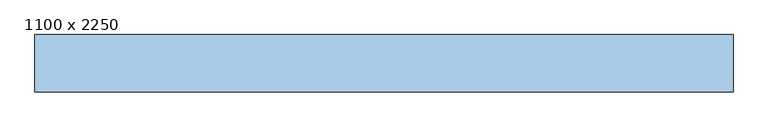
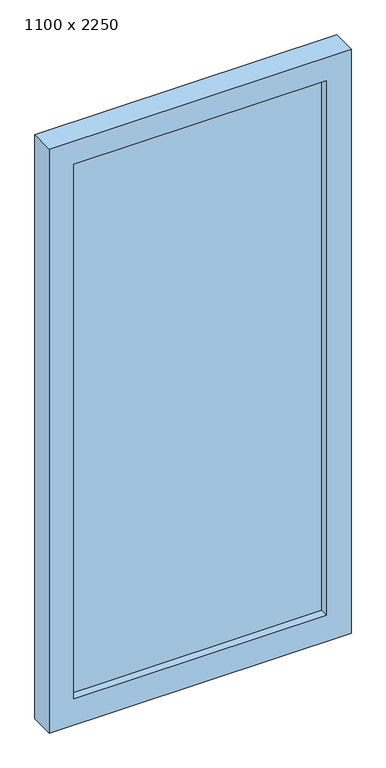
"""IFC4 building model written with IfcOpenShell, lengths in millimetres: window geometry, 1100 x 2250."""

import ifcopenshell
import ifcopenshell.guid

model = None  # the IFC model being written
_history = None  # IfcOwnerHistory: only IFC2X3 demands one
_inside = {}  # id of a spatial element -> (the spatial element, [elements in it])
_under = {}  # id of a project, library or spatial element -> (it, [spatial elements below it])
_declared = {}  # id of a project -> (the project, [libraries it declares])
_typed = {}  # id of a type object -> (the type object, [elements of that type])
_made_of = {}  # id of a material, layer set ... -> (it, [elements and type objects made of it])


def new_model(schema):
    """Start an empty IFC model of exactly this schema.

    Asked for "IFC4X3", IfcOpenShell would pick the latest addendum, in which some entities
    have other attributes; the version numbers below select the first issue.
    IFC2X3 requires an IfcOwnerHistory on every rooted entity: one is made here for all.
    """
    global model, _history
    if schema == "IFC4X3":
        model = ifcopenshell.file(schema_version=(4, 3, 0, 0))
    else:
        model = ifcopenshell.file(schema=schema)
    _inside.clear()
    _under.clear()
    _declared.clear()
    _typed.clear()
    _made_of.clear()
    _history = None
    if model.schema == "IFC2X3":
        org = make("IfcOrganization", Name="unknown")
        user = make(
            "IfcPersonAndOrganization",
            ThePerson=make("IfcPerson", FamilyName="unknown"),
            TheOrganization=org,
        )
        app = make(
            "IfcApplication",
            ApplicationDeveloper=org,
            Version="unknown",
            ApplicationFullName="unknown",
            ApplicationIdentifier="unknown",
        )
        _history = make(
            "IfcOwnerHistory",
            OwningUser=user,
            OwningApplication=app,
            ChangeAction="ADDED",
            CreationDate=0,
        )
    return model


def make(cls, **values):
    """One entity of the class cls with the attributes given. An attribute that is None is left unset."""
    return model.create_entity(
        cls, **{name: value for name, value in values.items() if value is not None}
    )


def rooted(cls, **values):
    """An entity with a GlobalId (a new one), such as an element, a storey or a relation."""
    return make(cls, GlobalId=ifcopenshell.guid.new(), OwnerHistory=_history, **values)


def si_unit(unit_type, name, prefix=None):
    """IfcSIUnit, for example si_unit("LENGTHUNIT", "METRE", prefix="MILLI")."""
    return make("IfcSIUnit", UnitType=unit_type, Prefix=prefix, Name=name)


def assignment(units):
    """IfcUnitAssignment: the units of a project."""
    return None if units is None else make("IfcUnitAssignment", Units=units)


def point(xyz):
    """IfcCartesianPoint."""
    return None if xyz is None else make("IfcCartesianPoint", Coordinates=xyz)


def direction(xyz):
    """IfcDirection."""
    return None if xyz is None else make("IfcDirection", DirectionRatios=xyz)


def frame(location, z_axis=None, x_axis=None):
    """IfcAxis2Placement3D, a coordinate frame: its origin and axes. An axis left out is left unset."""
    return make(
        "IfcAxis2Placement3D",
        Location=point(location),
        Axis=direction(z_axis),
        RefDirection=direction(x_axis),
    )


def origin():
    """The frame at (0, 0, 0) with its axes left unset."""
    return frame((0.0, 0.0, 0.0))


def place(relative_to, where):
    """IfcLocalPlacement: puts the frame where relative to a parent placement (None: the world)."""
    return make(
        "IfcLocalPlacement", PlacementRelTo=relative_to, RelativePlacement=where
    )


def context(
    kind, dimensions, precision=None, world=None, true_north=None, identifier=None
):
    """IfcGeometricRepresentationContext, for example the 3D "Model" context."""
    return make(
        "IfcGeometricRepresentationContext",
        ContextIdentifier=identifier,
        ContextType=kind,
        CoordinateSpaceDimension=dimensions,
        Precision=precision,
        WorldCoordinateSystem=world,
        TrueNorth=true_north,
    )


def project(units=None, contexts=None):
    """IfcProject with its units and contexts."""
    return rooted(
        "IfcProject",
        Name="project",
        RepresentationContexts=contexts,
        UnitsInContext=assignment(units),
    )


def spatial(cls, under=None, at=None, **own):
    """A site, building, storey or space (cls), placed at a placement, below another one or the project."""
    s = rooted(cls, ObjectPlacement=at, **own)
    if under is not None:
        _under.setdefault(under.id(), (under, []))[1].append(s)
    return s


def polyline(points):
    """IfcPolyline through the points."""
    return make("IfcPolyline", Points=[point(p) for p in points])


def outline(outer, holes=None, kind="AREA"):
    """IfcArbitraryClosedProfileDef: a profile drawn as a closed curve; with holes, ...WithVoids."""
    if holes is None:
        return make("IfcArbitraryClosedProfileDef", ProfileType=kind, OuterCurve=outer)
    return make(
        "IfcArbitraryProfileDefWithVoids",
        ProfileType=kind,
        OuterCurve=outer,
        InnerCurves=holes,
    )


def extrude(swept, where, along, depth):
    """IfcExtrudedAreaSolid: the profile swept, set in the frame where, extruded along a direction by depth."""
    return make(
        "IfcExtrudedAreaSolid",
        SweptArea=swept,
        Position=where,
        ExtrudedDirection=direction(along),
        Depth=depth,
    )


def shape(context_of_items, identifier, shape_type, items):
    """IfcShapeRepresentation: the items that make up one representation, for example the "Body"."""
    return make(
        "IfcShapeRepresentation",
        ContextOfItems=context_of_items,
        RepresentationIdentifier=identifier,
        RepresentationType=shape_type,
        Items=items,
    )


def source(mapping_origin, context_of_items, identifier, shape_type, items):
    """IfcRepresentationMap: a shape defined once, which mapped items show again and again."""
    return make(
        "IfcRepresentationMap",
        MappingOrigin=mapping_origin,
        MappedRepresentation=shape(context_of_items, identifier, shape_type, items),
    )


def transform(
    local_origin,
    x_axis=None,
    y_axis=None,
    z_axis=None,
    scale=None,
    scale2=None,
    scale3=None,
    uniform=True,
):
    """IfcCartesianTransformationOperator3D, or its non-uniform kind. x_axis, y_axis, z_axis: its Axis1, 2, 3."""
    if uniform:
        return make(
            "IfcCartesianTransformationOperator3D",
            Axis1=direction(x_axis),
            Axis2=direction(y_axis),
            LocalOrigin=point(local_origin),
            Scale=scale,
            Axis3=direction(z_axis),
        )
    return make(
        "IfcCartesianTransformationOperator3DnonUniform",
        Axis1=direction(x_axis),
        Axis2=direction(y_axis),
        LocalOrigin=point(local_origin),
        Scale=scale,
        Axis3=direction(z_axis),
        Scale2=scale2,
        Scale3=scale3,
    )


def mapped(mapping_source, mapping_target):
    """IfcMappedItem: shows the shape of a source again, moved by a transform."""
    return make(
        "IfcMappedItem", MappingSource=mapping_source, MappingTarget=mapping_target
    )


def made_of(thing, what):
    """Note that an element or type object is made of a material, layer set ...; save() writes the relation."""
    if what is not None:
        _made_of.setdefault(what.id(), (what, []))[1].append(thing)
    return thing


def element(
    cls,
    number,
    at=None,
    inside=None,
    cuts=None,
    type_object=None,
    material=None,
    context=None,
    identifier="Body",
    shape_type=None,
    held_by="IfcProductDefinitionShape",
    body=None,
    shapes=None,
    **own,
):
    """One element of the class cls, such as IfcWall. Its Tag is "e" and its number.

    at: its placement. inside: the storey or other place that contains it. cuts: it is an
    opening in that element (IfcRelVoidsElement). A single representation is given by context,
    identifier, shape_type and body (its items); several are given by shapes. held_by: the class
    of the entity that holds the representations. save() writes the other relations.
    """
    e = rooted(cls, Tag="e%d" % number, ObjectPlacement=at, **own)
    if body is not None:
        shapes = [shape(context, identifier, shape_type, body)]
    if shapes is not None:
        e.Representation = make(held_by, Representations=shapes)
    if inside is not None:
        _inside.setdefault(inside.id(), (inside, []))[1].append(e)
    if cuts is not None:
        rooted(
            "IfcRelVoidsElement", RelatingBuildingElement=cuts, RelatedOpeningElement=e
        )
    if type_object is not None:
        _typed.setdefault(type_object.id(), (type_object, []))[1].append(e)
    return made_of(e, material)


def aggregate(whole, parts):
    """IfcRelAggregates: a whole, such as a stair, and the parts it consists of."""
    return rooted("IfcRelAggregates", RelatingObject=whole, RelatedObjects=parts)


def save(model, path):
    """Write the relations noted so far, then the file.

    IfcRelAggregates (storeys below a building ...), IfcRelContainedInSpatialStructure (elements
    in a storey), IfcRelDefinesByType, IfcRelAssociatesMaterial and IfcRelDeclares: one each for
    every whole, place, type object, material and project.
    """
    for whole, parts in _under.values():
        aggregate(whole, parts)
    for where, things in _inside.values():
        rooted(
            "IfcRelContainedInSpatialStructure",
            RelatedElements=things,
            RelatingStructure=where,
        )
    for kind, things in _typed.values():
        rooted("IfcRelDefinesByType", RelatedObjects=things, RelatingType=kind)
    for what, things in _made_of.values():
        rooted("IfcRelAssociatesMaterial", RelatedObjects=things, RelatingMaterial=what)
    for by, libraries in _declared.values():
        rooted("IfcRelDeclares", RelatingContext=by, RelatedDefinitions=libraries)
    model.write(path)


def window_1100_x_2250_f420c005(model_context):
    return source(origin(), model_context, "Body", "SweptSolid", [
        extrude(outline(polyline([(460.0, 110.0), (460.0, 66.0), (-460.0, 66.0), (-460.0, 110.0), (460.0, 110.0)])), frame((0.0, 0.0, 100.0), z_axis=(0.0, 0.0, 1.0), x_axis=(1.0, 0.0, 0.0)), (0.0, 0.0, 1.0), 2060.0),
        extrude(outline(polyline([(2250.0, 550.0), (2250.0, -550.0), (0.0, -550.0), (0.0, 550.0), (2250.0, 550.0)]), holes=[polyline([(2160.0, -460.0), (2160.0, 460.0), (100.0, 460.0), (100.0, -460.0), (2160.0, -460.0)])]), frame((0.0, 35.0, 0.0), z_axis=(0.0, 1.0, 0.0), x_axis=(0.0, 0.0, 1.0)), (0.0, 0.0, 1.0), 90.0),
    ])


if __name__ == "__main__":
    model = new_model("IFC4")
    model_context = context("Model", 3, world=origin())
    ifc_project = project(units=[si_unit("LENGTHUNIT", "METRE", prefix="MILLI")], contexts=[model_context])
    site = spatial("IfcSite", under=ifc_project)
    building = spatial("IfcBuilding", under=site)
    placement = place(None, origin())
    window_1100_x_2250_shape = window_1100_x_2250_f420c005(model_context)
    element("IfcWindow", 1, ObjectType="1100 x 2250", at=placement, inside=building, context=model_context, shape_type="MappedRepresentation", body=[
        mapped(window_1100_x_2250_shape, transform((0.0, 0.0, 0.0), x_axis=(1.0, 0.0, 0.0), y_axis=(0.0, 1.0, 0.0), z_axis=(0.0, 0.0, 1.0))),
    ])
    save(model, "model.ifc")
